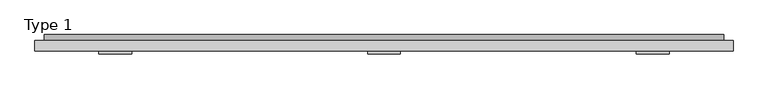
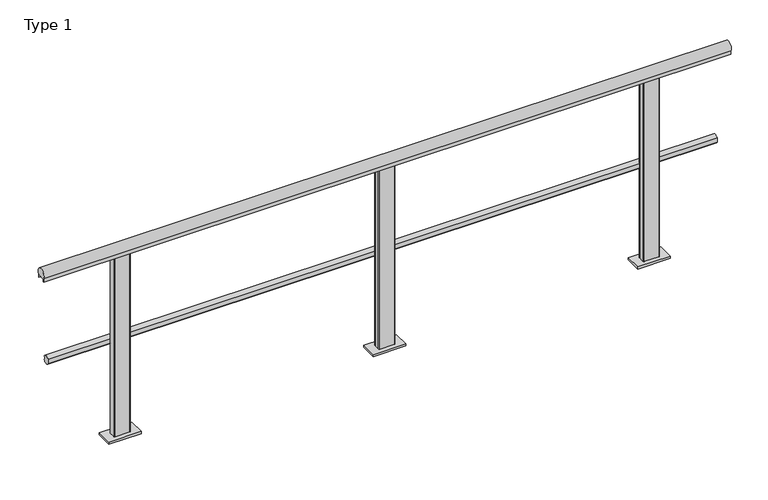
"""IFC4 building model written with IfcOpenShell, lengths in millimetres: railing geometry, Type 1."""

from ifc_helpers import new_model, si_unit, point, frame, frame_2d, origin, place, context, project, spatial, polyline, circle_curve, trimmed, segment, composite_curve, outline, extrude, source, transform, mapped, element, save
from ifc_brep_helpers import plane_surface, cylinder_surface, advanced_brep


def type_1_6bae26de(model_context):
    return source(origin(), model_context, "Body", "SolidModel", [
        extrude(outline(composite_curve([segment(trimmed(circle_curve(frame_2d((-5.287505, 488.0)), 20.0), [point((13.3, 480.617273))], [point((-21.0, 475.6259343))], False, "CARTESIAN"), True, "CONTINUOUS"), segment(polyline([(-21.0, 475.6259343), (-21.0, 500.3740657)]), True, "CONTINUOUS"), segment(trimmed(circle_curve(frame_2d((-5.287505, 488.0)), 20.0), [point((-21.0, 500.3740657))], [point((13.3, 495.382727))], False, "CARTESIAN"), True, "CONTINUOUS"), segment(polyline([(13.3, 495.382727), (9.3, 495.382727), (9.3, 480.617273), (13.3, 480.617273)]), True, "CONTINUOUS")], self_intersect=False)), frame((-305.0, 0.0, 0.0), z_axis=(1.0, 0.0, 0.0), x_axis=(0.0, 1.0, 0.0)), (0.0, 0.0, 1.0), 3300.0),
        extrude(outline(composite_curve([segment(trimmed(circle_curve(frame_2d((-40.0, 975.0)), 25.0), [point((-61.0, 961.43534))], [point((-19.0, 961.43534))], False, "CARTESIAN"), True, "CONTINUOUS"), segment(polyline([(-19.0, 961.43534), (-19.0, 943.0), (-20.0, 943.0), (-20.0, 958.0), (-60.0, 958.0), (-60.0, 943.0), (-61.0, 943.0), (-61.0, 961.43534)]), True, "CONTINUOUS")], self_intersect=False)), frame((-350.0, 0.0, 0.0), z_axis=(1.0, 0.0, 0.0), x_axis=(0.0, 1.0, 0.0)), (0.0, 0.0, 1.0), 3390.0),
        advanced_brep(
        [(1310.0, -59.0, 958.0), (1380.0, -59.0, 958.0), (1385.0, -54.0, 958.0), (1385.0, -26.0, 958.0), (1380.0, -21.0, 958.0), (1310.0, -21.0, 958.0), (1305.0, -26.0, 958.0), (1305.0, -54.0, 958.0), (1265.0, -80.0, 0.0), (1265.0, 0.0, 0.0), (1425.0, 0.0, 0.0), (1425.0, -80.0, 0.0), (1310.0, -59.0, 11.0), (1380.0, -59.0, 11.0), (1385.0, -54.0, 11.0), (1385.0, -26.0, 11.0), (1380.0, -21.0, 11.0), (1310.0, -21.0, 11.0), (1305.0, -26.0, 11.0), (1305.0, -54.0, 11.0), (1265.0, -80.0, 11.0), (1425.0, -80.0, 11.0), (1425.0, 0.0, 11.0), (1265.0, 0.0, 11.0)],
        [
            (0, 1),
            (1, 2, circle_curve(frame((1380.0, -54.0, 958.0), z_axis=(0.0, 0.0, 1.0), x_axis=(-1.0, 0.0, 0.0)), 5.0)),
            (2, 3),
            (3, 4, circle_curve(frame((1380.0, -26.0, 958.0), z_axis=(0.0, 0.0, 1.0), x_axis=(-1.0, 0.0, 0.0)), 5.0)),
            (4, 5),
            (5, 6, circle_curve(frame((1310.0, -26.0, 958.0), z_axis=(0.0, 0.0, 1.0), x_axis=(-1.0, 0.0, 0.0)), 5.0)),
            (6, 7),
            (7, 0, circle_curve(frame((1310.0, -54.0, 958.0), z_axis=(0.0, 0.0, 1.0), x_axis=(-1.0, 0.0, 0.0)), 5.0)),
            (8, 9),
            (9, 10),
            (10, 11),
            (11, 8),
            (0, 12),
            (12, 13),
            (13, 1),
            (13, 14, circle_curve(frame((1380.0, -54.0, 11.0), z_axis=(0.0, 0.0, 1.0), x_axis=(-1.0, 0.0, 0.0)), 5.0)),
            (14, 2),
            (14, 15),
            (15, 3),
            (15, 16, circle_curve(frame((1380.0, -26.0, 11.0), z_axis=(0.0, 0.0, 1.0), x_axis=(-1.0, 0.0, 0.0)), 5.0)),
            (16, 4),
            (16, 17),
            (17, 5),
            (17, 18, circle_curve(frame((1310.0, -26.0, 11.0), z_axis=(0.0, 0.0, 1.0), x_axis=(-1.0, 0.0, 0.0)), 5.0)),
            (18, 6),
            (18, 19),
            (19, 7),
            (19, 12, circle_curve(frame((1310.0, -54.0, 11.0), z_axis=(0.0, 0.0, 1.0), x_axis=(-1.0, 0.0, 0.0)), 5.0)),
            (20, 21),
            (21, 22),
            (22, 23),
            (23, 20),
            (20, 8),
            (11, 21),
            (10, 22),
            (9, 23),
        ],
        [
            plane_surface(frame((1380.0, -59.0, 958.0), z_axis=(0.0, 0.0, 1.0), x_axis=(1.0, 0.0, 0.0))),
            plane_surface(frame((1380.0, -59.0, 0.0), z_axis=(0.0, 0.0, -1.0), x_axis=(-1.0, 0.0, 0.0))),
            plane_surface(frame((1310.0, -59.0, 958.0), z_axis=(0.0, -1.0, 0.0), x_axis=(0.0, 0.0, -1.0))),
            cylinder_surface(frame((1380.0, -54.0, 0.0), z_axis=(0.0, 0.0, 1.0), x_axis=(-1.0, 0.0, 0.0)), 5.0),
            plane_surface(frame((1385.0, -54.0, 958.0), z_axis=(1.0, 0.0, 0.0), x_axis=(0.0, 0.0, -1.0))),
            cylinder_surface(frame((1380.0, -26.0, 0.0), z_axis=(0.0, 0.0, 1.0), x_axis=(-1.0, 0.0, 0.0)), 5.0),
            plane_surface(frame((1380.0, -21.0, 958.0), z_axis=(0.0, 1.0, 0.0), x_axis=(0.0, 0.0, -1.0))),
            cylinder_surface(frame((1310.0, -26.0, 0.0), z_axis=(0.0, 0.0, 1.0), x_axis=(-1.0, 0.0, 0.0)), 5.0),
            plane_surface(frame((1305.0, -26.0, 958.0), z_axis=(-1.0, 0.0, 0.0), x_axis=(0.0, 0.0, -1.0))),
            cylinder_surface(frame((1310.0, -54.0, 0.0), z_axis=(0.0, 0.0, 1.0), x_axis=(-1.0, 0.0, 0.0)), 5.0),
            plane_surface(frame((1425.0, -80.0, 11.0), z_axis=(0.0, 0.0, 1.0), x_axis=(1.0, 0.0, 0.0))),
            plane_surface(frame((1265.0, -80.0, 11.0), z_axis=(0.0, -1.0, 0.0), x_axis=(0.0, 0.0, -1.0))),
            plane_surface(frame((1425.0, -80.0, 11.0), z_axis=(1.0, 0.0, 0.0), x_axis=(0.0, 0.0, -1.0))),
            plane_surface(frame((1425.0, 0.0, 11.0), z_axis=(0.0, 1.0, 0.0), x_axis=(0.0, 0.0, -1.0))),
            plane_surface(frame((1265.0, 0.0, 11.0), z_axis=(-1.0, 0.0, 0.0), x_axis=(0.0, 0.0, -1.0))),
        ],
        [
            (0, [[1, 2, 3, 4, 5, 6, 7, 8]]),
            (1, [[9, 10, 11, 12]]),
            (2, [[-1, 13, 14, 15]]),
            (3, [[-2, -15, 16, 17]]),
            (4, [[-3, -17, 18, 19]]),
            (5, [[-4, -19, 20, 21]]),
            (6, [[-5, -21, 22, 23]]),
            (7, [[-6, -23, 24, 25]]),
            (8, [[-7, -25, 26, 27]]),
            (9, [[-8, -27, 28, -13]]),
            (10, [[29, 30, 31, 32], [-14, -28, -26, -24, -22, -20, -18, -16]]),
            (11, [[-29, 33, -12, 34]]),
            (12, [[-30, -34, -11, 35]]),
            (13, [[-31, -35, -10, 36]]),
            (14, [[-32, -36, -9, -33]]),
        ],
    ),
        advanced_brep(
        [(2615.0, -59.0, 958.0), (2685.0, -59.0, 958.0), (2690.0, -54.0, 958.0), (2690.0, -26.0, 958.0), (2685.0, -21.0, 958.0), (2615.0, -21.0, 958.0), (2610.0, -26.0, 958.0), (2610.0, -54.0, 958.0), (2570.0, -80.0, 0.0), (2570.0, 0.0, 0.0), (2730.0, 0.0, 0.0), (2730.0, -80.0, 0.0), (2615.0, -59.0, 11.0), (2685.0, -59.0, 11.0), (2690.0, -54.0, 11.0), (2690.0, -26.0, 11.0), (2685.0, -21.0, 11.0), (2615.0, -21.0, 11.0), (2610.0, -26.0, 11.0), (2610.0, -54.0, 11.0), (2570.0, -80.0, 11.0), (2730.0, -80.0, 11.0), (2730.0, 0.0, 11.0), (2570.0, 0.0, 11.0)],
        [
            (0, 1),
            (1, 2, circle_curve(frame((2685.0, -54.0, 958.0), z_axis=(0.0, 0.0, 1.0), x_axis=(-1.0, 0.0, 0.0)), 5.0)),
            (2, 3),
            (3, 4, circle_curve(frame((2685.0, -26.0, 958.0), z_axis=(0.0, 0.0, 1.0), x_axis=(-1.0, 0.0, 0.0)), 5.0)),
            (4, 5),
            (5, 6, circle_curve(frame((2615.0, -26.0, 958.0), z_axis=(0.0, 0.0, 1.0), x_axis=(-1.0, 0.0, 0.0)), 5.0)),
            (6, 7),
            (7, 0, circle_curve(frame((2615.0, -54.0, 958.0), z_axis=(0.0, 0.0, 1.0), x_axis=(-1.0, 0.0, 0.0)), 5.0)),
            (8, 9),
            (9, 10),
            (10, 11),
            (11, 8),
            (0, 12),
            (12, 13),
            (13, 1),
            (13, 14, circle_curve(frame((2685.0, -54.0, 11.0), z_axis=(0.0, 0.0, 1.0), x_axis=(-1.0, 0.0, 0.0)), 5.0)),
            (14, 2),
            (14, 15),
            (15, 3),
            (15, 16, circle_curve(frame((2685.0, -26.0, 11.0), z_axis=(0.0, 0.0, 1.0), x_axis=(-1.0, 0.0, 0.0)), 5.0)),
            (16, 4),
            (16, 17),
            (17, 5),
            (17, 18, circle_curve(frame((2615.0, -26.0, 11.0), z_axis=(0.0, 0.0, 1.0), x_axis=(-1.0, 0.0, 0.0)), 5.0)),
            (18, 6),
            (18, 19),
            (19, 7),
            (19, 12, circle_curve(frame((2615.0, -54.0, 11.0), z_axis=(0.0, 0.0, 1.0), x_axis=(-1.0, 0.0, 0.0)), 5.0)),
            (20, 21),
            (21, 22),
            (22, 23),
            (23, 20),
            (20, 8),
            (11, 21),
            (10, 22),
            (9, 23),
        ],
        [
            plane_surface(frame((2685.0, -59.0, 958.0), z_axis=(0.0, 0.0, 1.0), x_axis=(1.0, 0.0, 0.0))),
            plane_surface(frame((2685.0, -59.0, 0.0), z_axis=(0.0, 0.0, -1.0), x_axis=(-1.0, 0.0, 0.0))),
            plane_surface(frame((2615.0, -59.0, 958.0), z_axis=(0.0, -1.0, 0.0), x_axis=(0.0, 0.0, -1.0))),
            cylinder_surface(frame((2685.0, -54.0, 0.0), z_axis=(0.0, 0.0, 1.0), x_axis=(-1.0, 0.0, 0.0)), 5.0),
            plane_surface(frame((2690.0, -54.0, 958.0), z_axis=(1.0, 0.0, 0.0), x_axis=(0.0, 0.0, -1.0))),
            cylinder_surface(frame((2685.0, -26.0, 0.0), z_axis=(0.0, 0.0, 1.0), x_axis=(-1.0, 0.0, 0.0)), 5.0),
            plane_surface(frame((2685.0, -21.0, 958.0), z_axis=(0.0, 1.0, 0.0), x_axis=(0.0, 0.0, -1.0))),
            cylinder_surface(frame((2615.0, -26.0, 0.0), z_axis=(0.0, 0.0, 1.0), x_axis=(-1.0, 0.0, 0.0)), 5.0),
            plane_surface(frame((2610.0, -26.0, 958.0), z_axis=(-1.0, 0.0, 0.0), x_axis=(0.0, 0.0, -1.0))),
            cylinder_surface(frame((2615.0, -54.0, 0.0), z_axis=(0.0, 0.0, 1.0), x_axis=(-1.0, 0.0, 0.0)), 5.0),
            plane_surface(frame((2730.0, -80.0, 11.0), z_axis=(0.0, 0.0, 1.0), x_axis=(1.0, 0.0, 0.0))),
            plane_surface(frame((2570.0, -80.0, 11.0), z_axis=(0.0, -1.0, 0.0), x_axis=(0.0, 0.0, -1.0))),
            plane_surface(frame((2730.0, -80.0, 11.0), z_axis=(1.0, 0.0, 0.0), x_axis=(0.0, 0.0, -1.0))),
            plane_surface(frame((2730.0, 0.0, 11.0), z_axis=(0.0, 1.0, 0.0), x_axis=(0.0, 0.0, -1.0))),
            plane_surface(frame((2570.0, 0.0, 11.0), z_axis=(-1.0, 0.0, 0.0), x_axis=(0.0, 0.0, -1.0))),
        ],
        [
            (0, [[1, 2, 3, 4, 5, 6, 7, 8]]),
            (1, [[9, 10, 11, 12]]),
            (2, [[-1, 13, 14, 15]]),
            (3, [[-2, -15, 16, 17]]),
            (4, [[-3, -17, 18, 19]]),
            (5, [[-4, -19, 20, 21]]),
            (6, [[-5, -21, 22, 23]]),
            (7, [[-6, -23, 24, 25]]),
            (8, [[-7, -25, 26, 27]]),
            (9, [[-8, -27, 28, -13]]),
            (10, [[29, 30, 31, 32], [-14, -28, -26, -24, -22, -20, -18, -16]]),
            (11, [[-29, 33, -12, 34]]),
            (12, [[-30, -34, -11, 35]]),
            (13, [[-31, -35, -10, 36]]),
            (14, [[-32, -36, -9, -33]]),
        ],
    ),
        advanced_brep(
        [(5.0, -59.0, 958.0), (75.0, -59.0, 958.0), (80.0, -54.0, 958.0), (80.0, -26.0, 958.0), (75.0, -21.0, 958.0), (5.0, -21.0, 958.0), (0.0, -26.0, 958.0), (0.0, -54.0, 958.0), (-40.0, -80.0, 0.0), (-40.0, 0.0, 0.0), (120.0, 0.0, 0.0), (120.0, -80.0, 0.0), (5.0, -59.0, 11.0), (75.0, -59.0, 11.0), (80.0, -54.0, 11.0), (80.0, -26.0, 11.0), (75.0, -21.0, 11.0), (5.0, -21.0, 11.0), (0.0, -26.0, 11.0), (0.0, -54.0, 11.0), (-40.0, -80.0, 11.0), (120.0, -80.0, 11.0), (120.0, 0.0, 11.0), (-40.0, 0.0, 11.0)],
        [
            (0, 1),
            (1, 2, circle_curve(frame((75.0, -54.0, 958.0), z_axis=(0.0, 0.0, 1.0), x_axis=(-1.0, 0.0, 0.0)), 5.0)),
            (2, 3),
            (3, 4, circle_curve(frame((75.0, -26.0, 958.0), z_axis=(0.0, 0.0, 1.0), x_axis=(-1.0, 0.0, 0.0)), 5.0)),
            (4, 5),
            (5, 6, circle_curve(frame((5.0, -26.0, 958.0), z_axis=(0.0, 0.0, 1.0), x_axis=(-1.0, 0.0, 0.0)), 5.0)),
            (6, 7),
            (7, 0, circle_curve(frame((5.0, -54.0, 958.0), z_axis=(0.0, 0.0, 1.0), x_axis=(-1.0, 0.0, 0.0)), 5.0)),
            (8, 9),
            (9, 10),
            (10, 11),
            (11, 8),
            (0, 12),
            (12, 13),
            (13, 1),
            (13, 14, circle_curve(frame((75.0, -54.0, 11.0), z_axis=(0.0, 0.0, 1.0), x_axis=(-1.0, 0.0, 0.0)), 5.0)),
            (14, 2),
            (14, 15),
            (15, 3),
            (15, 16, circle_curve(frame((75.0, -26.0, 11.0), z_axis=(0.0, 0.0, 1.0), x_axis=(-1.0, 0.0, 0.0)), 5.0)),
            (16, 4),
            (16, 17),
            (17, 5),
            (17, 18, circle_curve(frame((5.0, -26.0, 11.0), z_axis=(0.0, 0.0, 1.0), x_axis=(-1.0, 0.0, 0.0)), 5.0)),
            (18, 6),
            (18, 19),
            (19, 7),
            (19, 12, circle_curve(frame((5.0, -54.0, 11.0), z_axis=(0.0, 0.0, 1.0), x_axis=(-1.0, 0.0, 0.0)), 5.0)),
            (20, 21),
            (21, 22),
            (22, 23),
            (23, 20),
            (20, 8),
            (11, 21),
            (10, 22),
            (9, 23),
        ],
        [
            plane_surface(frame((75.0, -59.0, 958.0), z_axis=(0.0, 0.0, 1.0), x_axis=(1.0, 0.0, 0.0))),
            plane_surface(frame((75.0, -59.0, 0.0), z_axis=(0.0, 0.0, -1.0), x_axis=(-1.0, 0.0, 0.0))),
            plane_surface(frame((5.0, -59.0, 958.0), z_axis=(0.0, -1.0, 0.0), x_axis=(0.0, 0.0, -1.0))),
            cylinder_surface(frame((75.0, -54.0, 0.0), z_axis=(0.0, 0.0, 1.0), x_axis=(-1.0, 0.0, 0.0)), 5.0),
            plane_surface(frame((80.0, -54.0, 958.0), z_axis=(1.0, 0.0, 0.0), x_axis=(0.0, 0.0, -1.0))),
            cylinder_surface(frame((75.0, -26.0, 0.0), z_axis=(0.0, 0.0, 1.0), x_axis=(-1.0, 0.0, 0.0)), 5.0),
            plane_surface(frame((75.0, -21.0, 958.0), z_axis=(0.0, 1.0, 0.0), x_axis=(0.0, 0.0, -1.0))),
            cylinder_surface(frame((5.0, -26.0, 0.0), z_axis=(0.0, 0.0, 1.0), x_axis=(-1.0, 0.0, 0.0)), 5.0),
            plane_surface(frame((0.0, -26.0, 958.0), z_axis=(-1.0, 0.0, 0.0), x_axis=(0.0, 0.0, -1.0))),
            cylinder_surface(frame((5.0, -54.0, 0.0), z_axis=(0.0, 0.0, 1.0), x_axis=(-1.0, 0.0, 0.0)), 5.0),
            plane_surface(frame((120.0, -80.0, 11.0), z_axis=(0.0, 0.0, 1.0), x_axis=(1.0, 0.0, 0.0))),
            plane_surface(frame((-40.0, -80.0, 11.0), z_axis=(0.0, -1.0, 0.0), x_axis=(0.0, 0.0, -1.0))),
            plane_surface(frame((120.0, -80.0, 11.0), z_axis=(1.0, 0.0, 0.0), x_axis=(0.0, 0.0, -1.0))),
            plane_surface(frame((120.0, 0.0, 11.0), z_axis=(0.0, 1.0, 0.0), x_axis=(0.0, 0.0, -1.0))),
            plane_surface(frame((-40.0, 0.0, 11.0), z_axis=(-1.0, 0.0, 0.0), x_axis=(0.0, 0.0, -1.0))),
        ],
        [
            (0, [[1, 2, 3, 4, 5, 6, 7, 8]]),
            (1, [[9, 10, 11, 12]]),
            (2, [[-1, 13, 14, 15]]),
            (3, [[-2, -15, 16, 17]]),
            (4, [[-3, -17, 18, 19]]),
            (5, [[-4, -19, 20, 21]]),
            (6, [[-5, -21, 22, 23]]),
            (7, [[-6, -23, 24, 25]]),
            (8, [[-7, -25, 26, 27]]),
            (9, [[-8, -27, 28, -13]]),
            (10, [[29, 30, 31, 32], [-14, -28, -26, -24, -22, -20, -18, -16]]),
            (11, [[-29, 33, -12, 34]]),
            (12, [[-30, -34, -11, 35]]),
            (13, [[-31, -35, -10, 36]]),
            (14, [[-32, -36, -9, -33]]),
        ],
    ),
    ])


if __name__ == "__main__":
    model = new_model("IFC4")
    model_context = context("Model", 3, world=origin())
    ifc_project = project(units=[si_unit("LENGTHUNIT", "METRE", prefix="MILLI")], contexts=[model_context])
    site = spatial("IfcSite", under=ifc_project)
    building = spatial("IfcBuilding", under=site)
    placement = place(None, origin())
    type_1_shape = type_1_6bae26de(model_context)
    element("IfcRailing", 1, ObjectType="Type 1", at=placement, inside=building, context=model_context, shape_type="MappedRepresentation", body=[
        mapped(type_1_shape, transform((0.0, 0.0, 0.0), x_axis=(1.0, 0.0, 0.0), y_axis=(0.0, 1.0, 0.0), z_axis=(0.0, 0.0, 1.0))),
    ])
    save(model, "model.ifc")
